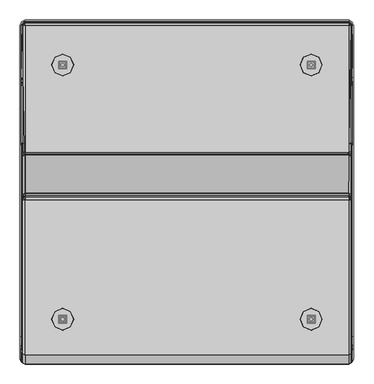
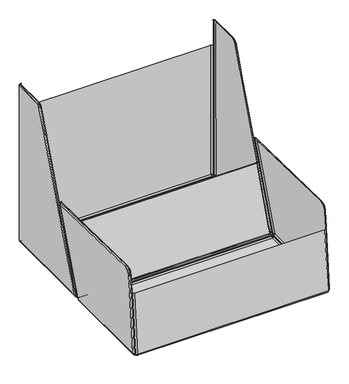
"""IFC4 building model written with IfcOpenShell, lengths in millimetres: furniture geometry."""

from ifc_helpers import new_model, si_unit, origin, place, context, project, spatial, triangles, source, transform, mapped, element, save


def furniture_f01fd685(model_context):
    return source(origin(), model_context, "Body", "Tessellation", [
        triangles([(-296.6102383, -322.338864, -3.08e-05), (-301.7100178, -310.0268975, -2.63e-05), (-296.6135811, -304.930479, 21.4999776), (-289.4027749, -322.338864, 21.4999708), (-314.0219662, -304.9271361, -2.36e-05), (-314.0219662, -297.7196909, 21.4999822), (-326.3339327, -310.0268975, -2.42e-05), (-331.4303876, -304.930479, 21.4999799), (-331.4337304, -322.338864, -2.77e-05), (-338.6411757, -322.338864, 21.4999754), (-326.3339327, -334.6508306, -3.22e-05), (-331.4303513, -339.7472855, 21.4999708), (-314.0219662, -339.7506646, -3.49e-05), (-314.0219662, -346.9580735, 21.4999663), (-301.7100178, -334.6508306, -3.44e-05), (-296.6135811, -339.7472855, 21.4999663), (-309.2808311, -322.3389004, 67.6125518), (-310.6694818, -318.9864524, 67.6125518), (-314.0219662, -317.5977654, 67.6125518), (-317.3744505, -318.9864524, 67.6125518), (-318.7631012, -322.3389004, 67.6125518), (-317.3744505, -325.6913847, 67.6125427), (-314.0219662, -327.0800354, 67.6125427), (-310.6694818, -325.6913847, 67.6125427), (-294.5629068, -302.879841, 42.9999734), (-286.5026975, -322.338864, 42.9999689), (-314.0219662, -294.8196317, 42.9999825), (-333.4810255, -302.879841, 42.999978), (-341.541253, -322.338864, 42.9999734), (-333.4810255, -341.7979597, 42.9999689), (-314.0219662, -349.8581509, 42.9999644), (-294.5629068, -341.7979597, 42.9999644), (-310.6694818, -318.9864161, 42.9999734), (-309.2808311, -322.338864, 42.9999734), (-314.0219662, -317.597729, 42.9999734), (-317.3744505, -318.9864161, 42.9999734), (-318.7631012, -322.338864, 42.9999734), (-317.3744505, -325.6913847, 42.9999734), (-314.0219662, -327.0799991, 42.9999734), (-310.6694818, -325.6913847, 42.9999734), (-304.0011207, -322.338864, -3.01e-05), (-304.0010299, -312.3179277, -2.69e-05), (-304.0010299, -332.3598367, -3.34e-05), (-314.0219662, -332.3598367, -3.22e-05), (-324.0429025, -332.3598367, -3.17e-05), (-324.0428298, -322.338864, -2.84e-05), (-324.0429025, -312.3179277, -2.51e-05), (-314.0219662, -312.3179277, -2.64e-05), (-304.0011207, -322.338864, 3.0044391), (-304.0010299, -312.3179277, 3.0044425), (-304.0010299, -332.3598367, 3.004436), (-314.0219662, -332.3598367, 3.0044368), (-324.0429025, -332.3598367, 3.0044377), (-324.0428298, -322.338864, 3.0044411), (-324.0429025, -312.3179277, 3.0044442), (-314.0219662, -312.3179277, 3.0044434), (-306.0766299, -322.338864, 3.0044397), (-306.0765573, -314.3934551, 3.0044422), (-306.0765573, -330.2843093, 3.0044371), (-314.0219662, -330.2843093, 3.0044377), (-321.9673751, -330.2843093, 3.0044385), (-321.9673388, -322.338864, 3.0044411), (-321.9673751, -314.3934551, 3.0044436), (-314.0219662, -314.3934915, 3.0044428), (-306.0766299, -322.338864, 20.0741267), (-306.0765573, -314.3934551, 20.074129), (-306.0765573, -330.2843093, 20.0741244), (-314.0219662, -330.2843093, 20.0741244), (-321.9673751, -330.2843093, 20.0741244), (-321.9673388, -322.338864, 20.074129), (-321.9673751, -314.3934551, 20.0741313), (-314.0219662, -314.3934915, 20.0741313), (-308.5229559, -322.338864, 20.0741358), (-310.1335044, -318.4505476, 20.0741381), (-310.1335044, -326.2272168, 20.0741358), (-314.0219662, -327.837838, 20.0741358), (-317.910428, -326.2272168, 20.0741358), (-319.5210128, -322.338864, 20.0741381), (-317.910428, -318.4505476, 20.0741381), (-314.0219662, -316.8399264, 20.0741381), (331.9638579, 319.9597578, 0.0001238), (326.8641329, 332.271688, 0.0001283), (331.9605151, 337.3681429, 21.5001366), (339.1713032, 319.9597578, 21.5001298), (314.55213, 337.3714857, 0.000131), (314.55213, 344.5789673, 21.5001411), (302.2401999, 332.271688, 0.0001304), (297.1437268, 337.3681429, 21.5001389), (297.140384, 319.9597578, 0.0001269), (289.9329387, 319.9597578, 21.5001321), (302.2401999, 307.6478276, 0.0001224), (297.1437268, 302.5513909, 21.5001298), (314.55213, 302.5480481, 0.0001197), (314.55213, 295.3405665, 21.500123), (326.8641329, 307.6478276, 0.0001202), (331.9605151, 302.5513909, 21.5001252), (319.2932651, 319.9597215, 67.6127062), (317.904578, 323.3122421, 67.6127062), (314.55213, 324.7008565, 67.6127153), (311.199682, 323.3122421, 67.6127153), (309.810995, 319.9597215, 67.6127062), (311.199682, 316.6072735, 67.6127062), (314.55213, 315.2185864, 67.6127062), (317.904578, 316.6072735, 67.6127062), (334.0111894, 339.4188535, 43.0001369), (342.0714169, 319.9597578, 43.0001279), (314.55213, 347.479081, 43.0001415), (295.0930344, 339.4188535, 43.0001415), (287.0328069, 319.9597578, 43.0001324), (295.0930344, 300.5006985, 43.0001233), (314.55213, 292.440471, 43.0001188), (334.0111894, 300.5006985, 43.0001188), (317.904578, 323.3122785, 43.0001324), (319.2932651, 319.9597578, 43.0001324), (314.55213, 324.7008928, 43.0001324), (311.199682, 323.3122785, 43.0001324), (309.810995, 319.9597578, 43.0001324), (311.199682, 316.6073098, 43.0001279), (314.55213, 315.2186228, 43.0001279), (317.904578, 316.6073098, 43.0001279), (324.5729937, 319.9597578, 0.0001245), (324.5730663, 329.9806941, 0.0001277), (324.5730663, 309.9388215, 0.0001212), (314.55213, 309.9388215, 0.0001224), (304.5311937, 309.9388215, 0.0001229), (304.5312846, 319.9597578, 0.0001262), (304.5311937, 329.9806941, 0.0001295), (314.55213, 329.9806941, 0.0001282), (324.5729937, 319.9597578, 3.0045944), (324.5730663, 329.9806941, 3.0045978), (324.5730663, 309.9388215, 3.004591), (314.55213, 309.9388215, 3.0045918), (304.5311937, 309.9388215, 3.004593), (304.5312846, 319.9597578, 3.0045961), (304.5311937, 329.9806941, 3.0045995), (314.55213, 329.9806941, 3.0045984), (322.4974299, 319.9597578, 3.0045947), (322.4975753, 327.9052031, 3.0045972), (322.4975753, 312.0143852, 3.0045921), (314.55213, 312.0143852, 3.004593), (306.6067575, 312.0143852, 3.0045935), (306.6068301, 319.9597578, 3.0045961), (306.6067575, 327.9052031, 3.0045986), (314.55213, 327.9052031, 3.0045981), (322.4974299, 319.9597578, 20.0742834), (322.4975753, 327.9052031, 20.0742857), (322.4975753, 312.0143852, 20.0742811), (314.55213, 312.0143852, 20.0742811), (306.6067575, 312.0143852, 20.0742811), (306.6068301, 319.9597578, 20.0742857), (306.6067575, 327.9052031, 20.074288), (314.55213, 327.9052031, 20.074288), (320.0511766, 319.9597578, 20.0742925), (318.4405555, 323.8481106, 20.0742948), (318.4405555, 316.0714414, 20.0742902), (314.55213, 314.4608565, 20.0742902), (310.6637046, 316.0714414, 20.0742925), (309.0530834, 319.9597578, 20.0742948), (310.6637046, 323.8481106, 20.0742948), (314.55213, 325.4586954, 20.0742948), (-296.689176, 319.9598668, 0.0001788), (-301.7889919, 332.271797, 0.0001832), (-296.6925189, 337.3682882, 21.5001911), (-289.4817308, 319.9598668, 21.5001843), (-314.1009584, 337.3716311, 0.000186), (-314.1009584, 344.5790763, 21.5001934), (-326.412925, 332.271797, 0.0001854), (-331.5093072, 337.3682882, 21.5001934), (-331.51265, 319.9598668, 0.0001818), (-338.7201316, 319.9598668, 21.5001888), (-326.4128886, 307.6479366, 0.0001774), (-331.5093072, 302.5514999, 21.5001843), (-314.1009584, 302.5481752, 0.0001746), (-314.1009584, 295.3406937, 21.5001775), (-301.7889919, 307.6479366, 0.0001752), (-296.6925189, 302.5514999, 21.500182), (-309.3598234, 319.9598668, 67.6127653), (-310.7484378, 323.3123875, 67.6127653), (-314.1009584, 324.7009655, 67.6127653), (-317.4534064, 323.3123875, 67.6127653), (-318.8420571, 319.9598668, 67.6127653), (-317.4534064, 316.6073825, 67.6127653), (-314.1009584, 315.2187318, 67.6127607), (-310.7484741, 316.6073825, 67.6127653), (-294.6418809, 339.4189625, 43.0001915), (-286.5816716, 319.9598668, 43.0001824), (-314.1009584, 347.47919, 43.000196), (-333.5599814, 339.4189625, 43.000196), (-341.6202089, 319.9598668, 43.0001869), (-333.5599814, 300.5008075, 43.0001824), (-314.1009584, 292.4405982, 43.0001778), (-294.6418809, 300.5008075, 43.0001778), (-310.7484378, 323.3123875, 43.0001869), (-309.3598234, 319.9598668, 43.0001824), (-314.1009584, 324.7010018, 43.0001869), (-317.4534064, 323.3123875, 43.0001869), (-318.8420571, 319.9598668, 43.0001869), (-317.4534064, 316.6074188, 43.0001824), (-314.1009584, 315.2187318, 43.0001824), (-310.7484741, 316.6074188, 43.0001824), (-304.0800766, 319.9598668, 0.0001794), (-304.0799858, 329.9808031, 0.0001827), (-304.0799858, 309.9389305, 0.0001762), (-314.1009584, 309.9389305, 0.0001774), (-324.1218947, 309.9389305, 0.0001779), (-324.1217857, 319.9598668, 0.0001812), (-324.1218947, 329.9808031, 0.0001844), (-314.1009584, 329.9808031, 0.0001832), (-304.0800766, 319.9598668, 3.0046494), (-304.0799858, 329.9808031, 3.0046526), (-304.0799858, 309.9389305, 3.004646), (-314.1009584, 309.9389305, 3.0046469), (-324.1218947, 309.9389305, 3.0046477), (-324.1217857, 319.9598668, 3.0046512), (-324.1218947, 329.9808031, 3.0046543), (-314.1009584, 329.9808031, 3.0046534), (-306.1555859, 319.9598668, 3.0046497), (-306.1555495, 327.9053121, 3.0046523), (-306.1555495, 312.0144942, 3.0046472), (-314.1009584, 312.0144942, 3.0046477), (-322.046331, 312.0144942, 3.0046486), (-322.0462947, 319.9598668, 3.0046512), (-322.046331, 327.9053121, 3.0046537), (-314.1009584, 327.9053121, 3.0046529), (-306.1555859, 319.9598668, 20.0743379), (-306.1555495, 327.9053121, 20.0743425), (-306.1555495, 312.0144942, 20.0743356), (-314.1009584, 312.0144942, 20.0743356), (-322.046331, 312.0144942, 20.0743379), (-322.0462947, 319.9598668, 20.0743402), (-322.046331, 327.9053121, 20.0743425), (-314.1009584, 327.9053121, 20.0743425), (-308.6018755, 319.9598668, 20.0743493), (-310.2124603, 323.8482196, 20.0743493), (-310.2124603, 316.0715867, 20.074347), (-314.1009584, 314.4610019, 20.074347), (-317.9893839, 316.0715867, 20.074347), (-319.5999687, 319.9598668, 20.0743493), (-317.9893839, 323.8482196, 20.0743515), (-314.1009584, 325.4588408, 20.0743515), (332.0428502, -322.3390094, -8.57e-05), (326.9430525, -310.0270429, -8.13e-05), (332.0394347, -304.930588, 21.4999254), (339.2502591, -322.3390094, 21.4999209), (314.631086, -304.9272451, -7.85e-05), (314.631086, -297.7197999, 21.4999299), (302.3191376, -310.0270429, -7.91e-05), (297.2226827, -304.930588, 21.4999299), (297.2193399, -322.3390094, -8.27e-05), (290.0118765, -322.3390094, 21.4999254), (302.3191376, -334.6509759, -8.72e-05), (297.2226827, -339.7473945, 21.4999209), (314.631086, -339.7507736, -8.99e-05), (314.631086, -346.9581825, 21.4999141), (326.9430525, -334.6509759, -8.93e-05), (332.0394347, -339.7473945, 21.4999163), (319.3722573, -322.3390457, 67.6124973), (317.983534, -318.9865614, 67.6124973), (314.631086, -317.5979107, 67.6124973), (311.2786016, -318.9865614, 67.6124973), (309.8899509, -322.3390457, 67.6124973), (311.2786016, -325.69153, 67.6124973), (314.631086, -327.0801444, 67.6124973), (317.983534, -325.69153, 67.6124973), (334.0901453, -302.8799682, 42.999928), (342.1503728, -322.3390094, 42.9999189), (314.631086, -294.8197407, 42.9999326), (295.1720266, -302.8799682, 42.9999326), (287.1118173, -322.3390094, 42.9999235), (295.1720266, -341.7980687, 42.9999144), (314.631086, -349.8582599, 42.9999099), (334.0901453, -341.7980687, 42.9999099), (317.983534, -318.9865251, 42.9999235), (319.3722573, -322.3390094, 42.9999189), (314.631086, -317.5978744, 42.9999235), (311.2786016, -318.9865251, 42.9999235), (309.8899509, -322.3390094, 42.9999189), (311.2786016, -325.6914937, 42.9999189), (314.631086, -327.0801444, 42.9999189), (317.983534, -325.6914937, 42.9999189), (324.6519133, -322.3390094, -8.51e-05), (324.6520223, -312.3180731, -8.18e-05), (324.6520223, -332.3599457, -8.84e-05), (314.631086, -332.3599457, -8.71e-05), (304.6101315, -332.3599457, -8.66e-05), (304.6102768, -322.3390094, -8.34e-05), (304.6101315, -312.3180731, -8.01e-05), (314.631086, -312.3180731, -8.13e-05), (324.6519133, -322.3390094, 3.0043846), (324.6520223, -312.3180731, 3.004388), (324.6520223, -332.3599457, 3.0043815), (314.631086, -332.3599457, 3.0043823), (304.6101315, -332.3599457, 3.0043832), (304.6102768, -322.3390094, 3.0043866), (304.6101315, -312.3180731, 3.0043897), (314.631086, -312.3180731, 3.0043889), (322.5764222, -322.3390094, 3.0043852), (322.5765312, -314.3935641, 3.0043877), (322.5765312, -330.2844183, 3.0043826), (314.631086, -330.2844183, 3.0043832), (306.6856771, -330.2844183, 3.004384), (306.6857861, -322.3390094, 3.0043866), (306.6856771, -314.3935641, 3.0043891), (314.631086, -314.3936005, 3.0043883), (322.5764222, -322.3390094, 20.0740722), (322.5765312, -314.3935641, 20.0740768), (322.5765312, -330.2844183, 20.0740722), (314.631086, -330.2844183, 20.0740722), (306.6856771, -330.2844183, 20.0740722), (306.6857861, -322.3390094, 20.0740745), (306.6856771, -314.3935641, 20.074079), (314.631086, -314.3936005, 20.0740768), (320.1300962, -322.3390094, 20.0740836), (318.5195477, -318.4506566, 20.0740836), (318.5195477, -326.2273258, 20.0740836), (314.631086, -327.837947, 20.0740836), (310.7426605, -326.2273258, 20.0740836), (309.132112, -322.3390094, 20.0740836), (310.7426605, -318.4506566, 20.0740858), (314.631086, -316.8400354, 20.0740858)], [[1, 2, 3], [1, 3, 4], [2, 5, 6], [2, 6, 3], [5, 7, 8], [5, 8, 6], [7, 9, 10], [7, 10, 8], [9, 11, 12], [9, 12, 10], [11, 13, 14], [11, 14, 12], [13, 15, 16], [13, 16, 14], [15, 1, 4], [15, 4, 16], [17, 18, 19], [17, 19, 20], [17, 20, 21], [17, 21, 22], [17, 22, 23], [17, 23, 24], [3, 25, 26], [3, 26, 4], [6, 27, 25], [6, 25, 3], [8, 28, 27], [8, 27, 6], [10, 29, 28], [10, 28, 8], [12, 30, 29], [12, 29, 10], [14, 31, 30], [14, 30, 12], [16, 32, 31], [16, 31, 14], [4, 26, 32], [4, 32, 16], [26, 25, 33], [26, 33, 34], [25, 27, 35], [25, 35, 33], [27, 28, 36], [27, 36, 35], [28, 29, 37], [28, 37, 36], [29, 30, 38], [29, 38, 37], [30, 31, 39], [30, 39, 38], [31, 32, 40], [31, 40, 39], [32, 26, 34], [32, 34, 40], [34, 33, 18], [34, 18, 17], [33, 35, 19], [33, 19, 18], [35, 36, 20], [35, 20, 19], [36, 37, 21], [36, 21, 20], [37, 38, 22], [37, 22, 21], [38, 39, 23], [38, 23, 22], [39, 40, 24], [39, 24, 23], [40, 34, 17], [40, 17, 24], [2, 1, 41], [2, 41, 42], [1, 15, 43], [1, 43, 41], [15, 13, 44], [15, 44, 43], [13, 11, 45], [13, 45, 44], [11, 9, 46], [11, 46, 45], [9, 7, 47], [9, 47, 46], [7, 5, 48], [7, 48, 47], [5, 2, 42], [5, 42, 48], [42, 41, 49], [42, 49, 50], [41, 43, 51], [41, 51, 49], [43, 44, 52], [43, 52, 51], [44, 45, 53], [44, 53, 52], [45, 46, 54], [45, 54, 53], [46, 47, 55], [46, 55, 54], [47, 48, 56], [47, 56, 55], [48, 42, 50], [48, 50, 56], [50, 49, 57], [50, 57, 58], [49, 51, 59], [49, 59, 57], [51, 52, 60], [51, 60, 59], [52, 53, 61], [52, 61, 60], [53, 54, 62], [53, 62, 61], [54, 55, 63], [54, 63, 62], [55, 56, 64], [55, 64, 63], [56, 50, 58], [56, 58, 64], [58, 57, 65], [58, 65, 66], [57, 59, 67], [57, 67, 65], [59, 60, 68], [59, 68, 67], [60, 61, 69], [60, 69, 68], [61, 62, 70], [61, 70, 69], [62, 63, 71], [62, 71, 70], [63, 64, 72], [63, 72, 71], [64, 58, 66], [64, 66, 72], [66, 65, 73], [66, 73, 74], [65, 67, 75], [65, 75, 73], [67, 68, 76], [67, 76, 75], [68, 69, 77], [68, 77, 76], [69, 70, 78], [69, 78, 77], [70, 71, 79], [70, 79, 78], [71, 72, 80], [71, 80, 79], [72, 66, 74], [72, 74, 80], [81, 82, 83], [81, 83, 84], [82, 85, 86], [82, 86, 83], [85, 87, 88], [85, 88, 86], [87, 89, 90], [87, 90, 88], [89, 91, 92], [89, 92, 90], [91, 93, 94], [91, 94, 92], [93, 95, 96], [93, 96, 94], [95, 81, 84], [95, 84, 96], [97, 98, 99], [97, 99, 100], [97, 100, 101], [97, 101, 102], [97, 102, 103], [97, 103, 104], [83, 105, 106], [83, 106, 84], [86, 107, 105], [86, 105, 83], [88, 108, 107], [88, 107, 86], [90, 109, 108], [90, 108, 88], [92, 110, 109], [92, 109, 90], [94, 111, 110], [94, 110, 92], [96, 112, 111], [96, 111, 94], [84, 106, 112], [84, 112, 96], [106, 105, 113], [106, 113, 114], [105, 107, 115], [105, 115, 113], [107, 108, 116], [107, 116, 115], [108, 109, 117], [108, 117, 116], [109, 110, 118], [109, 118, 117], [110, 111, 119], [110, 119, 118], [111, 112, 120], [111, 120, 119], [112, 106, 114], [112, 114, 120], [114, 113, 98], [114, 98, 97], [113, 115, 99], [113, 99, 98], [115, 116, 100], [115, 100, 99], [116, 117, 101], [116, 101, 100], [117, 118, 102], [117, 102, 101], [118, 119, 103], [118, 103, 102], [119, 120, 104], [119, 104, 103], [120, 114, 97], [120, 97, 104], [82, 81, 121], [82, 121, 122], [81, 95, 123], [81, 123, 121], [95, 93, 124], [95, 124, 123], [93, 91, 125], [93, 125, 124], [91, 89, 126], [91, 126, 125], [89, 87, 127], [89, 127, 126], [87, 85, 128], [87, 128, 127], [85, 82, 122], [85, 122, 128], [122, 121, 129], [122, 129, 130], [121, 123, 131], [121, 131, 129], [123, 124, 132], [123, 132, 131], [124, 125, 133], [124, 133, 132], [125, 126, 134], [125, 134, 133], [126, 127, 135], [126, 135, 134], [127, 128, 136], [127, 136, 135], [128, 122, 130], [128, 130, 136], [130, 129, 137], [130, 137, 138], [129, 131, 139], [129, 139, 137], [131, 132, 140], [131, 140, 139], [132, 133, 141], [132, 141, 140], [133, 134, 142], [133, 142, 141], [134, 135, 143], [134, 143, 142], [135, 136, 144], [135, 144, 143], [136, 130, 138], [136, 138, 144], [138, 137, 145], [138, 145, 146], [137, 139, 147], [137, 147, 145], [139, 140, 148], [139, 148, 147], [140, 141, 149], [140, 149, 148], [141, 142, 150], [141, 150, 149], [142, 143, 151], [142, 151, 150], [143, 144, 152], [143, 152, 151], [144, 138, 146], [144, 146, 152], [146, 145, 153], [146, 153, 154], [145, 147, 155], [145, 155, 153], [147, 148, 156], [147, 156, 155], [148, 149, 157], [148, 157, 156], [149, 150, 158], [149, 158, 157], [150, 151, 159], [150, 159, 158], [151, 152, 160], [151, 160, 159], [152, 146, 154], [152, 154, 160], [161, 162, 163], [161, 163, 164], [162, 165, 166], [162, 166, 163], [165, 167, 168], [165, 168, 166], [167, 169, 170], [167, 170, 168], [169, 171, 172], [169, 172, 170], [171, 173, 174], [171, 174, 172], [173, 175, 176], [173, 176, 174], [175, 161, 164], [175, 164, 176], [177, 178, 179], [177, 179, 180], [177, 180, 181], [177, 181, 182], [177, 182, 183], [177, 183, 184], [163, 185, 186], [163, 186, 164], [166, 187, 185], [166, 185, 163], [168, 188, 187], [168, 187, 166], [170, 189, 188], [170, 188, 168], [172, 190, 189], [172, 189, 170], [174, 191, 190], [174, 190, 172], [176, 192, 191], [176, 191, 174], [164, 186, 192], [164, 192, 176], [186, 185, 193], [186, 193, 194], [185, 187, 195], [185, 195, 193], [187, 188, 196], [187, 196, 195], [188, 189, 197], [188, 197, 196], [189, 190, 198], [189, 198, 197], [190, 191, 199], [190, 199, 198], [191, 192, 200], [191, 200, 199], [192, 186, 194], [192, 194, 200], [194, 193, 178], [194, 178, 177], [193, 195, 179], [193, 179, 178], [195, 196, 180], [195, 180, 179], [196, 197, 181], [196, 181, 180], [197, 198, 182], [197, 182, 181], [198, 199, 183], [198, 183, 182], [199, 200, 184], [199, 184, 183], [200, 194, 177], [200, 177, 184], [162, 161, 201], [162, 201, 202], [161, 175, 203], [161, 203, 201], [175, 173, 204], [175, 204, 203], [173, 171, 205], [173, 205, 204], [171, 169, 206], [171, 206, 205], [169, 167, 207], [169, 207, 206], [167, 165, 208], [167, 208, 207], [165, 162, 202], [165, 202, 208], [202, 201, 209], [202, 209, 210], [201, 203, 211], [201, 211, 209], [203, 204, 212], [203, 212, 211], [204, 205, 213], [204, 213, 212], [205, 206, 214], [205, 214, 213], [206, 207, 215], [206, 215, 214], [207, 208, 216], [207, 216, 215], [208, 202, 210], [208, 210, 216], [210, 209, 217], [210, 217, 218], [209, 211, 219], [209, 219, 217], [211, 212, 220], [211, 220, 219], [212, 213, 221], [212, 221, 220], [213, 214, 222], [213, 222, 221], [214, 215, 223], [214, 223, 222], [215, 216, 224], [215, 224, 223], [216, 210, 218], [216, 218, 224], [218, 217, 225], [218, 225, 226], [217, 219, 227], [217, 227, 225], [219, 220, 228], [219, 228, 227], [220, 221, 229], [220, 229, 228], [221, 222, 230], [221, 230, 229], [222, 223, 231], [222, 231, 230], [223, 224, 232], [223, 232, 231], [224, 218, 226], [224, 226, 232], [226, 225, 233], [226, 233, 234], [225, 227, 235], [225, 235, 233], [227, 228, 236], [227, 236, 235], [228, 229, 237], [228, 237, 236], [229, 230, 238], [229, 238, 237], [230, 231, 239], [230, 239, 238], [231, 232, 240], [231, 240, 239], [232, 226, 234], [232, 234, 240], [241, 242, 243], [241, 243, 244], [242, 245, 246], [242, 246, 243], [245, 247, 248], [245, 248, 246], [247, 249, 250], [247, 250, 248], [249, 251, 252], [249, 252, 250], [251, 253, 254], [251, 254, 252], [253, 255, 256], [253, 256, 254], [255, 241, 244], [255, 244, 256], [257, 258, 259], [257, 259, 260], [257, 260, 261], [257, 261, 262], [257, 262, 263], [257, 263, 264], [243, 265, 266], [243, 266, 244], [246, 267, 265], [246, 265, 243], [248, 268, 267], [248, 267, 246], [250, 269, 268], [250, 268, 248], [252, 270, 269], [252, 269, 250], [254, 271, 270], [254, 270, 252], [256, 272, 271], [256, 271, 254], [244, 266, 272], [244, 272, 256], [266, 265, 273], [266, 273, 274], [265, 267, 275], [265, 275, 273], [267, 268, 276], [267, 276, 275], [268, 269, 277], [268, 277, 276], [269, 270, 278], [269, 278, 277], [270, 271, 279], [270, 279, 278], [271, 272, 280], [271, 280, 279], [272, 266, 274], [272, 274, 280], [274, 273, 258], [274, 258, 257], [273, 275, 259], [273, 259, 258], [275, 276, 260], [275, 260, 259], [276, 277, 261], [276, 261, 260], [277, 278, 262], [277, 262, 261], [278, 279, 263], [278, 263, 262], [279, 280, 264], [279, 264, 263], [280, 274, 257], [280, 257, 264], [242, 241, 281], [242, 281, 282], [241, 255, 283], [241, 283, 281], [255, 253, 284], [255, 284, 283], [253, 251, 285], [253, 285, 284], [251, 249, 286], [251, 286, 285], [249, 247, 287], [249, 287, 286], [247, 245, 288], [247, 288, 287], [245, 242, 282], [245, 282, 288], [282, 281, 289], [282, 289, 290], [281, 283, 291], [281, 291, 289], [283, 284, 292], [283, 292, 291], [284, 285, 293], [284, 293, 292], [285, 286, 294], [285, 294, 293], [286, 287, 295], [286, 295, 294], [287, 288, 296], [287, 296, 295], [288, 282, 290], [288, 290, 296], [290, 289, 297], [290, 297, 298], [289, 291, 299], [289, 299, 297], [291, 292, 300], [291, 300, 299], [292, 293, 301], [292, 301, 300], [293, 294, 302], [293, 302, 301], [294, 295, 303], [294, 303, 302], [295, 296, 304], [295, 304, 303], [296, 290, 298], [296, 298, 304], [298, 297, 305], [298, 305, 306], [297, 299, 307], [297, 307, 305], [299, 300, 308], [299, 308, 307], [300, 301, 309], [300, 309, 308], [301, 302, 310], [301, 310, 309], [302, 303, 311], [302, 311, 310], [303, 304, 312], [303, 312, 311], [304, 298, 306], [304, 306, 312], [306, 305, 313], [306, 313, 314], [305, 307, 315], [305, 315, 313], [307, 308, 316], [307, 316, 315], [308, 309, 317], [308, 317, 316], [309, 310, 318], [309, 318, 317], [310, 311, 319], [310, 319, 318], [311, 312, 320], [311, 320, 319], [312, 306, 314], [312, 314, 320]], closed=False),
        triangles([(-409.2947119, -1.1346829, 43.8833815), (-409.2947119, -3.5988517, 51.2741323), (-415.8480183, 0.8626503, 51.6215448), (-413.3205563, 2.3903925, 45.6067229), (-422.5025176, 420.7877604, 52.1475483), (-418.5182405, 420.7877604, 45.7216323), (-418.5245991, 52.0385978, 45.6576555), (-422.5026266, 54.5906222, 52.1474029), (-422.5031353, 288.3247702, 752.6533321), (-418.4914979, 287.4163772, 759.3089579), (-418.5183495, 420.7875423, 759.0793207), (-422.5026266, 420.7875423, 752.6533321), (-422.5031353, 274.0746952, 742.8505148), (-422.5031353, 235.2638374, 641.1360111), (-418.4912072, 229.1668804, 643.799366), (-418.4914979, 268.1838302, 746.0786608), (-422.5025176, 420.7877604, 78.8059638), (-418.5233274, 427.2194172, 78.8059728), (-418.5233274, 427.2194172, 52.1475483), (-422.5031353, 233.8290958, 637.3336996), (-422.5031353, 251.9688316, 636.3353594), (-422.5028083, 141.6065364, 309.672268), (-422.5028083, 109.1084292, 309.9045939), (-422.5025903, 420.7876877, 306.9817346), (-418.5233637, 427.2193445, 306.9817346), (-422.5026266, 20.147319, 76.3551232), (-422.5026266, 10.8785363, 52.1473666), (-418.5191125, 3.7757719, 51.7977013), (-418.5533401, 13.4453764, 76.901447), (-422.5026266, 62.8694002, 76.6168895), (-422.5026266, 420.7875423, 741.7444777), (-418.5234727, 427.2191992, 752.6533321), (-418.5234727, 427.2191992, 741.7444777), (-422.5031353, 279.5138981, 750.2026096), (-422.5032806, 289.7458317, 741.6688282), (-418.5191125, 8.0122153, 45.6392836), (-422.5025903, 420.7875787, 640.3543728), (-422.5031353, 253.2725311, 640.1846157), (-415.2738891, 424.4009482, 758.3452085), (-409.2946029, 420.7877604, 38.9395336), (-415.7205188, 420.7877604, 42.923888), (-412.7635772, 424.5182376, 44.3393993), (-409.2946029, 427.2137126, 42.923888), (-415.5831725, 424.5261586, 47.1620014), (-409.2947119, 49.2384326, 38.939411), (-415.8300324, 50.9505328, 42.9733263), (-418.4915342, 277.4701638, 756.5616692), (-409.2947119, 6.3667376, 77.3017587), (-415.819459, 10.5944364, 77.0972472), (-415.8480183, 6.8060884, 42.9816924), (-409.2947119, 4.8863416, 38.9393973), (-416.3273858, 5.0945155, 47.4451781), (-409.2948572, 94.5682011, 308.8450293), (-415.7781097, 98.4971583, 308.0980908), (-415.7262234, 430.0165212, 52.1475483), (-409.2946029, 433.9957114, 52.1475528), (-409.2946029, 430.0114343, 45.7216778), (-412.7542754, 427.3461536, 47.1552158), (-415.7262234, 430.0165212, 78.8059728), (-409.2946029, 433.9957114, 78.8060092), (-412.7586356, 422.9598661, 47.168201), (-412.0008694, 423.7608347, 47.21684), (-411.1901267, 424.5203814, 47.160548), (-412.423082, 424.3690825, 756.828586), (-415.5903668, 427.0828703, 751.83158), (-412.7416308, 424.5083181, 48.7001796), (-415.5988692, 427.0917724, 53.0044273), (-415.6005043, 419.9052197, 45.844104), (-408.4039596, 427.0949335, 45.8411018), (-415.5530508, 51.443308, 45.9629194), (-415.4760206, 287.4451, 759.0853523), (-415.5998503, 419.9355958, 758.9419744), (-415.4353618, 3.7969427, 52.0176961), (-415.5619892, 13.5387573, 76.3769151), (-415.4355798, 8.2537465, 45.5627849), (-413.0296583, 5.2223415, 47.3833587), (-415.5305958, 101.3401443, 307.1370303), (-418.5278692, 101.2104374, 307.5270501), (-415.4935704, 426.9864736, 741.7444777), (-418.5234364, 427.2192355, 636.2904493), (-415.4935704, 426.9864736, 636.2904493), (-415.4935341, 426.9866189, 311.0457307), (-418.5233637, 427.2193445, 311.0457307), (-415.4934251, 426.9866552, 78.8059728), (-415.4935704, 426.9864736, 640.3543728), (-418.5234364, 427.2192355, 640.3543728), (-412.3867833, 422.7977394, 758.405234), (-411.6442414, 423.5754536, 758.3673729), (-415.4720964, 277.5634176, 756.4190907), (-415.477583, 268.3852896, 745.9740887), (-415.4723145, 274.4058705, 754.2467669), (-418.4915342, 274.3059129, 754.3849852), (-415.4935341, 426.9866189, 306.9817346), (-415.7262597, 430.0164485, 306.9817346), (-418.5274695, 102.6558615, 311.3253284), (-418.4912072, 227.7325021, 639.9969091), (-422.5025903, 420.7875787, 636.2904493), (-422.5025903, 420.7876877, 311.0457307), (-409.2946392, 433.9955297, 636.2904493), (-409.2946029, 433.9956751, 311.0457307), (-415.7262597, 430.0164485, 311.0457307), (-415.726296, 430.0163395, 636.2904493), (-415.4849227, 229.3471928, 643.6009769), (-422.5031353, 234.5464757, 639.234819), (-418.4912072, 228.449664, 641.8981739), (-422.5025903, 420.7875787, 638.3224474), (-418.5234364, 427.2192355, 638.3224474), (-422.5031353, 252.6206995, 638.2600239), (-415.4853587, 227.9136138, 639.7982294), (-415.4851407, 228.6304124, 641.6996395), (-415.4935704, 426.9864736, 638.3224474), (-422.5028083, 140.3057437, 305.822067), (-422.5028083, 107.6618151, 306.106788), (-415.5300508, 102.7853685, 310.9353813), (-409.2946029, 433.9956751, 306.9817346), (-422.5028083, 140.9561491, 307.7471675), (-422.5028083, 108.3851267, 308.005691), (-422.5025903, 420.7876877, 309.0137326), (-418.5233637, 427.2193445, 309.0137326), (-415.4935341, 426.9866189, 309.0137326), (-415.7262597, 430.0164485, 309.0137326), (-418.5276149, 101.9331495, 309.4261711), (-409.2946029, 433.9956751, 309.013769), (-408.6103786, 97.5773925, 309.8733095), (-413.5147668, 100.297657, 309.5865174), (-415.5299417, 102.1474987, 309.2548153), (-415.4723145, 275.7623466, 755.6559105), (-418.4535278, 275.8868666, 755.4750349), (409.2945665, -1.1348052, 43.8833043), (413.3205199, 2.3902693, 45.6066548), (415.8479456, 0.86255, 51.6214948), (409.2947119, -3.5989497, 51.2740369), (422.5026993, 420.7875787, 52.1474756), (422.5025903, 54.5905178, 52.147353), (418.5244537, 52.0384979, 45.6575874), (418.5184221, 420.7875787, 45.7215551), (422.5032806, 288.3245885, 752.6532595), (422.5029173, 420.7873607, 752.6533321), (418.5186038, 420.7873607, 759.079248), (418.4916432, 287.4162137, 759.3089579), (409.2947845, 420.787615, 38.9394609), (409.2947845, 427.2135673, 42.9238153), (422.5032806, 274.0745499, 742.8504421), (418.4916432, 268.1836849, 746.0785881), (418.4913889, 229.166735, 643.7992933), (422.5032806, 235.2637284, 641.1359385), (418.5234727, 427.2192355, 52.1474801), (418.5234727, 427.2192355, 78.8059274), (422.5026993, 420.7875787, 78.8059274), (409.2947119, 6.3666155, 77.3017133), (409.2945665, 4.8862439, 38.9393292), (422.5032806, 233.8289505, 637.3336269), (422.5028446, 109.108302, 309.9045576), (422.5028446, 141.6064183, 309.672159), (422.5033896, 251.9686862, 636.3352867), (418.5234727, 427.2191992, 306.9816619), (422.5025903, 420.787506, 306.9816619), (422.5025903, 20.1472145, 76.3550687), (418.5533401, 13.4452515, 76.9013562), (418.5190035, 3.7756467, 51.7976514), (422.5025903, 10.8784103, 52.1472894), (422.5024813, 62.869273, 76.6167896), (422.5029173, 420.7873607, 741.744405), (418.523836, 427.2190175, 741.744405), (418.523836, 427.2190175, 752.6533321), (422.5033896, 289.74565, 741.6687555), (422.5032806, 279.5137527, 750.202537), (418.5190035, 8.0121149, 45.639211), (409.2945665, 49.2383327, 38.9393428), (422.5033896, 253.2723857, 640.184543), (422.5028446, 420.787397, 640.3543001), (415.2742161, 424.4008392, 758.3451359), (412.7637589, 424.5181649, 44.3393266), (415.7205551, 420.787615, 42.9238108), (415.5833542, 424.5260496, 47.1619242), (409.2947845, 430.0113616, 45.7216096), (409.2947845, 433.9956024, 52.1474801), (415.8299598, 50.9504329, 42.9732536), (418.4917159, 277.4700185, 756.5616692), (415.8193863, 10.5943115, 77.0971745), (415.8478729, 6.8059879, 42.9816197), (416.3273131, 5.094415, 47.4451055), (415.7781461, 98.4970402, 308.0980545), (409.2948572, 94.568083, 308.8449566), (415.7263687, 430.0164122, 52.1474801), (412.7544571, 427.3460446, 47.1551477), (415.7263687, 430.0164122, 78.8059274), (409.2947845, 433.9956024, 78.8059274), (411.1901994, 424.5203087, 47.1604753), (412.0010147, 423.760762, 47.2167673), (412.7587083, 422.9597571, 47.1681284), (415.5906575, 427.0827613, 751.8315073), (412.4234453, 424.3689371, 756.8285133), (415.5990509, 427.0916997, 53.0043546), (412.7417398, 424.5082091, 48.700107), (415.6006133, 419.9051107, 45.8440313), (408.4041412, 427.0948608, 45.8410291), (415.5529055, 51.4431854, 45.9628467), (415.600141, 419.9354868, 758.9419018), (415.4762023, 287.4450092, 759.0852797), (415.5619529, 13.5386563, 76.3768697), (415.4352891, 3.7968184, 52.0176007), (413.029513, 5.2222177, 47.3832906), (415.4355071, 8.2536216, 45.5627122), (418.5279056, 101.2103193, 307.5269774), (415.5305958, 101.3400171, 307.1369576), (415.4938611, 426.9863282, 741.744405), (418.5236544, 427.2190538, 636.2903767), (418.5234727, 427.2191992, 311.045658), (415.4936431, 426.9864736, 311.045658), (415.4937884, 426.9863646, 636.2903767), (415.4936068, 426.9865462, 78.8059274), (418.5236544, 427.2190538, 640.3543001), (415.4937884, 426.9863646, 640.3543001), (411.6445684, 423.5754172, 758.3673002), (412.387074, 422.7976667, 758.4051613), (415.4722418, 277.5633267, 756.419018), (418.4917159, 274.3057676, 754.3849125), (415.4725325, 274.4057796, 754.2466942), (415.4777647, 268.3851806, 745.9740887), (415.726405, 430.0163758, 306.9816619), (415.4936431, 426.9864736, 306.9816619), (418.4913889, 227.7323749, 639.9968365), (418.5274332, 102.6557344, 311.3252558), (422.5028446, 420.787397, 636.2903767), (422.5025903, 420.787506, 311.045658), (409.2949299, 433.9954207, 636.2903767), (415.7265141, 430.0162668, 636.2903767), (415.726405, 430.0163758, 311.045658), (409.2947119, 433.9955297, 311.0456944), (415.4849954, 229.3470474, 643.6009769), (418.4913889, 228.449555, 641.8981012), (422.5032806, 234.5463485, 639.2347464), (418.5236544, 427.2190538, 638.3224474), (422.5028446, 420.787397, 638.3224474), (422.5033896, 252.6205542, 638.2599512), (415.4854677, 227.9135048, 639.7981567), (415.485286, 228.6302852, 641.6995668), (415.4937884, 426.9863646, 638.3224474), (422.5028446, 140.3056256, 305.8219943), (422.5028446, 107.661697, 306.1067153), (415.5301234, 102.7852504, 310.9353086), (409.2947119, 433.9955297, 306.9816982), (422.5028446, 108.3849995, 308.0056183), (422.5028446, 140.9560128, 307.7470585), (418.5234727, 427.2191992, 309.0136236), (422.5025903, 420.787506, 309.0136236), (415.4936431, 426.9864736, 309.0136236), (415.726405, 430.0163758, 309.0136236), (418.5276149, 101.9330223, 309.4261348), (409.2947119, 433.9955297, 309.0136963), (413.5147305, 100.2975389, 309.5865174), (408.6103786, 97.5772653, 309.8732732), (415.5299417, 102.1473806, 309.254779), (415.4725325, 275.7622557, 755.6559105), (418.4537458, 275.8867212, 755.4749622), (415.7265141, 430.0161578, 638.3224474), (409.2949299, 433.9953481, 638.3224474), (-409.2946392, 433.9954571, 638.3224474), (-415.726296, 430.0162305, 638.3224474), (422.503426, -402.0688085, 52.1471577), (422.503535, -375.4837669, 311.7687607), (422.503535, -399.9381609, 311.9363013), (422.5033896, -422.6846286, 52.1471486), (422.503535, -375.2786196, 313.7865518), (422.5034986, 80.8000463, 308.641953), (422.5034986, 81.526628, 310.5396206), (422.503535, -375.0734722, 315.8044155), (422.5034986, 82.2532007, 312.4372519), (418.7625569, 111.7292721, 370.3644937), (422.503535, 104.4323792, 370.3638033), (418.7647007, 89.4779868, 312.2629892), (415.7949328, 111.5990566, 370.3410939), (415.8244732, 89.3192392, 312.2665137), (422.503753, -365.9265378, 411.5566741), (422.503753, -368.1443167, 388.3399226), (422.503535, 105.8855427, 374.1591385), (422.503535, 115.5781742, 399.4739087), (422.503753, -368.530812, 384.2943483), (422.503753, -393.5378612, 385.0356185), (422.503535, -399.5837131, 315.9848551), (418.7624843, 113.1827263, 374.1596472), (422.503535, 105.1589609, 372.2614709), (418.7624843, 112.4559992, 372.2620886), (418.7828319, -400.1632925, 386.6915131), (422.503753, -393.205941, 387.0212531), (418.7824322, -399.8334435, 388.677947), (415.7930071, 113.0547363, 374.1354481), (415.7939518, 112.326901, 372.2382892), (422.503753, -392.5647011, 388.9295305), (422.503753, -368.3375462, 386.3171173), (418.7812695, -399.1983078, 390.5888042), (415.8031809, -399.8339521, 388.6814715), (415.8032536, -399.0121636, 390.5457473), (415.8058697, -399.9678466, 386.6443502), (-409.2939852, -403.4239583, 38.9393111), (-409.2939488, -21.5297065, 38.9394382), (409.2953659, -21.5298268, 38.9393701), (409.2952932, -403.4240673, 38.9392429), (-409.2940215, -435.9474455, 52.096979), (-409.2940215, -431.9729424, 43.6364989), (409.2952569, -431.9730878, 43.6364308), (409.2953659, -435.9475545, 52.0968564), (-409.2940215, -423.891459, 38.9393065), (409.2952569, -423.891568, 38.9392338), (-415.8073231, -406.3131351, 314.135731), (-415.8076864, -406.5130139, 312.0944675), (-416.0333994, -409.4410692, 312.1647394), (-416.0334357, -409.2637181, 314.1889981), (-409.2942032, -413.1687123, 312.2543415), (-409.2942032, -412.9913612, 314.2786002), (409.2956203, -413.1688213, 312.2542325), (409.2956203, -412.9915066, 314.2785275), (416.0347438, -409.4412146, 312.1646667), (416.0348528, -409.2638271, 314.1888891), (415.8091035, -406.5131229, 312.0943585), (415.8088128, -406.3132805, 314.1356584), (-416.0263867, -432.211736, 52.1174038), (-413.4068155, -429.5946356, 44.4708457), (-418.7826138, -423.293494, 45.4138205), (-416.6848495, -427.3512769, 46.3584258), (-418.7826138, -429.4453714, 52.1279183), (-422.5020089, -422.6844469, 52.1472712), (-422.5019362, 115.5782923, 399.4739814), (-418.7505301, 118.4448687, 406.2098711), (-416.4983783, 122.7440249, 405.2313698), (-418.7599408, 122.9082046, 399.5541364), (-416.0263867, -423.5452592, 42.6589968), (-409.2939488, -9.8753318, 44.7078906), (-413.6336912, -12.0879863, 45.5256687), (-416.069262, -7.4776595, 51.5894473), (-416.0587249, -20.4341792, 42.682719), (-413.5478316, -15.4697328, 43.1550739), (-409.2939488, -13.1532317, 42.4529865), (-422.5019726, -17.4076221, 52.1474256), (-418.7633926, -19.5962489, 45.3690376), (-418.7815965, -402.7580469, 45.4115495), (-422.5019726, -402.0686268, 52.1472803), (-418.7608492, 113.1828534, 374.1597198), (-422.5019362, 105.8856699, 374.1591748), (-416.0279855, -403.0396431, 42.6602095), (-418.7813421, -400.1631108, 386.6915857), (-422.5022633, -393.5376795, 385.0357275), (-422.5021906, -399.5835314, 315.9849277), (-418.7816328, -406.3374069, 316.1472362), (-422.5022633, -365.9263561, 411.5567104), (-418.7813421, -366.8245208, 418.326646), (-422.5022633, -385.4011122, 405.7565194), (-418.7625206, -390.4436096, 411.4036311), (-422.5022633, -392.5645194, 388.9296395), (-418.7797797, -399.1981625, 390.5889132), (-418.7727307, -10.2845864, 51.7673889), (-416.4463829, -14.9076781, 45.8384357), (-413.6577086, 121.3699809, 406.0521046), (-413.220417, 122.3978251, 405.5987892), (-413.5902346, 122.8002533, 404.0909961), (-411.9839009, -15.0022706, 45.7178035), (-412.9334069, -15.1544915, 46.232743), (-413.7766331, -14.4333873, 47.5106719), (-415.7784368, 122.7925866, 399.5179467), (-415.7914083, 113.0548634, 374.1354844), (-415.9554608, -10.2133948, 52.8241376), (-408.7768656, -12.7930327, 45.4675281), (-415.9415082, -20.5531672, 45.6931457), (-415.8381351, -402.3567269, 45.5584882), (-415.8326122, -422.8193587, 45.5512576), (-413.4373006, -427.1474012, 46.4570617), (-413.8250313, -16.9380774, 45.8599006), (-415.8190956, -429.2928735, 52.6312987), (-415.7803625, 118.4354398, 406.0720888), (-415.8249455, 87.8636867, 308.4721596), (-416.0895733, 90.8394498, 308.3998893), (408.7783553, -12.7931531, 45.46746), (409.2953659, -13.1533543, 42.4529184), (-418.7816328, -406.6917458, 312.0987187), (-415.8055427, -366.799268, 418.1254955), (-415.7734952, -390.3916142, 411.3453135), (-415.8018365, -399.0120183, 390.54582), (-418.7632836, 88.0246598, 308.467872), (-422.5019362, 80.8001734, 308.6420257), (-422.5022633, -368.144135, 388.339959), (-422.5021906, -375.4835853, 311.7688334), (-409.2939488, 94.8138166, 308.3040739), (-422.5021906, -399.9379792, 311.9364103), (-415.8075411, -406.157585, 316.1428396), (-415.8044526, -399.9677376, 386.6444592), (-418.7631383, 89.4781049, 312.2630619), (-418.7631746, 88.7513869, 310.365467), (-422.5019362, 81.5267461, 310.5396569), (-422.5019362, 82.2533278, 312.4373245), (-422.5021906, -399.7607735, 313.960669), (-422.5021906, -375.2784379, 313.7866244), (-418.7816328, -406.5145763, 314.1229411), (-422.5021906, -375.0732905, 315.8044882), (-416.0332904, 88.6262401, 310.2830229), (-413.8440345, 90.4574055, 310.7216226), (-408.6608843, 93.243173, 311.0813026), (408.6625194, 93.2430458, 311.0812663), (409.2955112, 94.8136894, 308.3040376), (-415.8230198, 89.3193664, 312.2665137), (-418.7610309, 111.7293993, 370.36453), (-422.5019362, 104.4325064, 370.363876), (-415.7933704, 111.5991838, 370.3411666), (-422.5022633, -368.5306303, 384.2943847), (-418.7608855, 112.4561173, 372.2621613), (-422.5019362, 105.1590881, 372.2615072), (-418.7809424, -399.8332618, 388.678056), (-422.5022633, -393.2057593, 387.0213258), (-415.7923894, 112.3270281, 372.2383255), (-422.5022633, -368.3373645, 386.3171536), (-415.8017275, -399.8338431, 388.6815442), (409.2953659, -9.8754544, 44.707818), (413.4081963, -429.5947446, 44.4707776), (416.0278038, -432.211845, 52.1173039), (418.7839219, -423.2936757, 45.4137433), (418.7840309, -429.4455531, 52.1278184), (416.6860848, -427.3514585, 46.3583531), (418.7615396, 122.9080774, 399.5540274), (416.5000497, 122.7438977, 405.2312971), (418.7522015, 118.4447416, 406.2097984), (416.0276948, -423.5453682, 42.6588742), (416.0707154, -7.4777838, 51.5893792), (413.6352173, -12.08811, 45.525596), (413.549285, -15.4698315, 43.1550012), (416.0601419, -20.4343041, 42.6826418), (422.5034623, -17.4077504, 52.1473802), (418.7830135, -402.7582286, 45.4114269), (418.764846, -19.5963738, 45.3689604), (416.0294025, -403.0397521, 42.6601413), (418.7830499, -406.3375886, 316.1471635), (418.7828319, -366.8247025, 418.3265734), (418.7639377, -390.4437913, 411.4035221), (422.503753, -385.4012938, 405.7564467), (416.4478363, -14.907803, 45.8383676), (418.7742568, -10.2846863, 51.7673162), (413.5918696, 122.8001352, 404.0909234), (413.2220158, 122.3976979, 405.5987165), (413.6593074, 121.3698537, 406.0520319), (413.7780501, -14.433511, 47.5106038), (412.9348603, -15.1545903, 46.2326749), (411.985318, -15.0023694, 45.7177354), (415.7801082, 122.7924595, 399.5178741), (415.9569869, -10.2135197, 52.8240831), (415.8394795, -402.3568359, 45.558411), (415.9430343, -20.5532921, 45.693073), (413.4386086, -427.1475102, 46.4569935), (415.8339203, -422.8195041, 45.5511349), (413.8264483, -16.9382023, 45.8598279), (415.82044, -429.2930188, 52.6312306), (415.7820339, 118.4353126, 406.0719798), (416.0911357, 90.8393226, 308.3998166), (415.8263989, 87.8635595, 308.4720869), (418.7830499, -406.6918911, 312.0986097), (415.8070324, -366.799377, 418.1254592), (415.7748759, -390.3917233, 411.3452408), (418.7648097, 88.0245326, 308.4677994), (415.8089581, -406.1576941, 316.142767), (418.7648097, 88.7512597, 310.3653943), (422.503535, -399.7609551, 313.9605964), (418.7830499, -406.514758, 314.1228684), (413.8456332, 90.4572875, 310.7215862), (416.0349255, 88.626122, 310.2829502)], [[1, 2, 3], [1, 3, 4], [5, 6, 7], [5, 7, 8], [9, 10, 11], [9, 11, 12], [13, 14, 15], [13, 15, 16], [5, 17, 18], [5, 18, 19], [20, 21, 22], [20, 22, 23], [17, 24, 25], [17, 25, 18], [26, 27, 28], [26, 28, 29], [17, 5, 8], [17, 8, 30], [31, 12, 32], [31, 32, 33], [13, 34, 9], [13, 9, 35], [7, 36, 27], [7, 27, 8], [35, 31, 37], [35, 37, 38], [8, 27, 26], [8, 26, 30], [9, 12, 31], [9, 31, 35], [39, 32, 12], [39, 12, 11], [40, 41, 42], [40, 42, 43], [6, 5, 19], [6, 19, 44], [41, 40, 45], [41, 45, 46], [10, 9, 34], [10, 34, 47], [3, 2, 48], [3, 48, 49], [50, 51, 1], [50, 1, 4], [28, 27, 36], [28, 36, 52], [49, 48, 53], [49, 53, 54], [46, 45, 51], [46, 51, 50], [55, 56, 57], [55, 57, 58], [59, 60, 56], [59, 56, 55], [42, 61, 62], [42, 62, 63], [39, 64, 65], [39, 65, 32], [58, 66, 67], [58, 67, 55], [41, 68, 61], [41, 61, 42], [42, 63, 69], [42, 69, 43], [6, 68, 70], [6, 70, 7], [10, 71, 72], [10, 72, 11], [28, 73, 74], [28, 74, 29], [36, 75, 76], [36, 76, 52], [3, 73, 76], [3, 76, 4], [29, 74, 77], [29, 77, 78], [7, 70, 75], [7, 75, 36], [32, 65, 79], [32, 79, 33], [80, 81, 82], [80, 82, 83], [18, 84, 67], [18, 67, 19], [33, 79, 85], [33, 85, 86], [39, 87, 88], [39, 88, 64], [44, 66, 62], [44, 62, 61], [58, 63, 62], [58, 62, 66], [11, 72, 87], [11, 87, 39], [19, 67, 66], [19, 66, 44], [44, 61, 68], [44, 68, 6], [57, 69, 63], [57, 63, 58], [46, 70, 68], [46, 68, 41], [47, 89, 71], [47, 71, 10], [16, 90, 91], [16, 91, 92], [49, 74, 73], [49, 73, 3], [4, 76, 75], [4, 75, 50], [52, 76, 73], [52, 73, 28], [50, 75, 70], [50, 70, 46], [59, 84, 93], [59, 93, 94], [55, 67, 84], [55, 84, 59], [20, 23, 95], [20, 95, 96], [37, 31, 33], [37, 33, 86], [14, 13, 35], [14, 35, 38], [97, 98, 22], [97, 22, 21], [99, 100, 101], [99, 101, 102], [103, 90, 16], [103, 16, 15], [14, 104, 105], [14, 105, 15], [97, 106, 107], [97, 107, 80], [20, 104, 108], [20, 108, 21], [37, 106, 108], [37, 108, 38], [109, 110, 105], [109, 105, 96], [104, 20, 96], [104, 96, 105], [106, 37, 86], [106, 86, 107], [104, 14, 38], [104, 38, 108], [106, 97, 21], [106, 21, 108], [110, 103, 15], [110, 15, 105], [85, 111, 107], [85, 107, 86], [111, 81, 80], [111, 80, 107], [112, 30, 26], [112, 26, 113], [98, 97, 80], [98, 80, 83], [114, 109, 96], [114, 96, 95], [93, 84, 18], [93, 18, 25], [77, 74, 49], [77, 49, 54], [82, 81, 102], [82, 102, 101], [113, 26, 29], [113, 29, 78], [24, 17, 30], [24, 30, 112], [115, 60, 59], [115, 59, 94], [22, 116, 117], [22, 117, 23], [24, 118, 119], [24, 119, 25], [82, 120, 119], [82, 119, 83], [93, 120, 121], [93, 121, 94], [23, 117, 122], [23, 122, 95], [98, 118, 116], [98, 116, 22], [100, 123, 121], [100, 121, 101], [116, 112, 113], [116, 113, 117], [118, 98, 83], [118, 83, 119], [120, 93, 25], [120, 25, 119], [120, 82, 101], [120, 101, 121], [117, 113, 78], [117, 78, 122], [118, 24, 112], [118, 112, 116], [123, 115, 94], [123, 94, 121], [53, 124, 125], [53, 125, 54], [54, 125, 126], [54, 126, 77], [126, 114, 95], [126, 95, 122], [77, 126, 122], [77, 122, 78], [127, 89, 47], [127, 47, 128], [91, 127, 128], [91, 128, 92], [34, 92, 128], [34, 128, 47], [34, 13, 16], [34, 16, 92], [129, 130, 131], [129, 131, 132], [133, 134, 135], [133, 135, 136], [137, 138, 139], [137, 139, 140], [141, 40, 43], [141, 43, 142], [143, 144, 145], [143, 145, 146], [133, 147, 148], [133, 148, 149], [132, 150, 48], [132, 48, 2], [129, 1, 51], [129, 51, 151], [152, 153, 154], [152, 154, 155], [149, 148, 156], [149, 156, 157], [158, 159, 160], [158, 160, 161], [149, 162, 134], [149, 134, 133], [163, 164, 165], [163, 165, 138], [143, 166, 137], [143, 137, 167], [135, 134, 161], [135, 161, 168], [169, 45, 40], [169, 40, 141], [166, 170, 171], [166, 171, 163], [134, 162, 158], [134, 158, 161], [137, 166, 163], [137, 163, 138], [172, 139, 138], [172, 138, 165], [141, 142, 173], [141, 173, 174], [136, 175, 147], [136, 147, 133], [176, 57, 56], [176, 56, 177], [174, 178, 169], [174, 169, 141], [140, 179, 167], [140, 167, 137], [131, 180, 150], [131, 150, 132], [181, 130, 129], [181, 129, 151], [160, 182, 168], [160, 168, 161], [180, 183, 184], [180, 184, 150], [178, 181, 151], [178, 151, 169], [185, 186, 176], [185, 176, 177], [187, 185, 177], [187, 177, 188], [173, 189, 190], [173, 190, 191], [172, 165, 192], [172, 192, 193], [186, 185, 194], [186, 194, 195], [174, 173, 191], [174, 191, 196], [173, 142, 197], [173, 197, 189], [142, 43, 69], [142, 69, 197], [136, 135, 198], [136, 198, 196], [140, 139, 199], [140, 199, 200], [160, 159, 201], [160, 201, 202], [168, 182, 203], [168, 203, 204], [131, 130, 203], [131, 203, 202], [159, 205, 206], [159, 206, 201], [135, 168, 204], [135, 204, 198], [165, 164, 207], [165, 207, 192], [208, 209, 210], [208, 210, 211], [148, 147, 194], [148, 194, 212], [164, 213, 214], [164, 214, 207], [172, 193, 215], [172, 215, 216], [175, 191, 190], [175, 190, 195], [186, 195, 190], [186, 190, 189], [139, 172, 216], [139, 216, 199], [147, 175, 195], [147, 195, 194], [175, 136, 196], [175, 196, 191], [176, 186, 189], [176, 189, 197], [178, 174, 196], [178, 196, 198], [179, 140, 200], [179, 200, 217], [144, 218, 219], [144, 219, 220], [180, 131, 202], [180, 202, 201], [130, 181, 204], [130, 204, 203], [182, 160, 202], [182, 202, 203], [181, 178, 198], [181, 198, 204], [187, 221, 222], [187, 222, 212], [185, 187, 212], [185, 212, 194], [152, 223, 224], [152, 224, 153], [171, 213, 164], [171, 164, 163], [146, 170, 166], [146, 166, 143], [225, 155, 154], [225, 154, 226], [227, 228, 229], [227, 229, 230], [231, 145, 144], [231, 144, 220], [146, 145, 232], [146, 232, 233], [225, 208, 234], [225, 234, 235], [152, 155, 236], [152, 236, 233], [171, 170, 236], [171, 236, 235], [237, 223, 232], [237, 232, 238], [233, 232, 223], [233, 223, 152], [235, 234, 213], [235, 213, 171], [233, 236, 170], [233, 170, 146], [235, 236, 155], [235, 155, 225], [238, 232, 145], [238, 145, 231], [214, 213, 234], [214, 234, 239], [239, 234, 208], [239, 208, 211], [240, 241, 158], [240, 158, 162], [226, 209, 208], [226, 208, 225], [242, 224, 223], [242, 223, 237], [222, 156, 148], [222, 148, 212], [206, 183, 180], [206, 180, 201], [210, 229, 228], [210, 228, 211], [241, 205, 159], [241, 159, 158], [157, 240, 162], [157, 162, 149], [243, 221, 187], [243, 187, 188], [154, 153, 244], [154, 244, 245], [157, 156, 246], [157, 246, 247], [210, 209, 246], [210, 246, 248], [222, 221, 249], [222, 249, 248], [153, 224, 250], [153, 250, 244], [226, 154, 245], [226, 245, 247], [230, 229, 249], [230, 249, 251], [245, 244, 241], [245, 241, 240], [247, 246, 209], [247, 209, 226], [248, 246, 156], [248, 156, 222], [248, 249, 229], [248, 229, 210], [244, 250, 205], [244, 205, 241], [247, 245, 240], [247, 240, 157], [251, 249, 221], [251, 221, 243], [184, 183, 252], [184, 252, 253], [183, 206, 254], [183, 254, 252], [254, 250, 224], [254, 224, 242], [206, 205, 250], [206, 250, 254], [255, 256, 179], [255, 179, 217], [219, 218, 256], [219, 256, 255], [167, 179, 256], [167, 256, 218], [167, 218, 144], [167, 144, 143], [51, 45, 169], [51, 169, 151], [2, 1, 129], [2, 129, 132], [53, 48, 150], [53, 150, 184], [56, 60, 188], [56, 188, 177], [69, 57, 176], [69, 176, 197], [100, 99, 227], [100, 227, 230], [60, 115, 243], [60, 243, 188], [123, 100, 230], [123, 230, 251], [115, 123, 251], [115, 251, 243], [124, 53, 184], [124, 184, 253], [239, 211, 228], [239, 228, 257], [257, 228, 227], [257, 227, 258], [258, 227, 99], [258, 99, 259], [259, 99, 102], [259, 102, 260], [260, 102, 81], [260, 81, 111], [261, 262, 263], [261, 263, 264], [265, 262, 266], [265, 266, 267], [268, 265, 267], [268, 267, 269], [270, 271, 269], [270, 269, 272], [273, 270, 272], [273, 272, 274], [275, 276, 277], [275, 277, 278], [271, 279, 268], [271, 268, 269], [279, 280, 281], [279, 281, 268], [282, 277, 283], [282, 283, 284], [285, 280, 286], [285, 286, 287], [288, 282, 284], [288, 284, 289], [276, 290, 286], [276, 286, 291], [277, 276, 291], [277, 291, 283], [284, 283, 271], [284, 271, 270], [287, 286, 290], [287, 290, 292], [289, 284, 270], [289, 270, 273], [291, 286, 280], [291, 280, 279], [283, 291, 279], [283, 279, 271], [293, 287, 292], [293, 292, 294], [295, 285, 287], [295, 287, 293], [296, 297, 298], [296, 298, 299], [300, 301, 302], [300, 302, 303], [304, 296, 299], [304, 299, 305], [306, 307, 308], [306, 308, 309], [309, 308, 310], [309, 310, 311], [311, 310, 312], [311, 312, 313], [313, 312, 314], [313, 314, 315], [315, 314, 316], [315, 316, 317], [301, 300, 318], [301, 318, 319], [320, 321, 322], [320, 322, 323], [324, 325, 326], [324, 326, 327], [304, 301, 319], [304, 319, 328], [2, 329, 330], [2, 330, 331], [297, 332, 333], [297, 333, 334], [335, 336, 337], [335, 337, 338], [324, 327, 339], [324, 339, 340], [332, 297, 296], [332, 296, 341], [342, 343, 344], [342, 344, 345], [325, 324, 346], [325, 346, 347], [347, 346, 348], [347, 348, 349], [349, 348, 350], [349, 350, 351], [336, 335, 352], [336, 352, 353], [326, 354, 355], [326, 355, 356], [330, 357, 358], [330, 358, 359], [327, 360, 361], [327, 361, 339], [352, 362, 359], [352, 359, 353], [326, 356, 360], [326, 360, 327], [329, 363, 357], [329, 357, 330], [336, 364, 365], [336, 365, 337], [320, 366, 367], [320, 367, 321], [332, 364, 368], [332, 368, 333], [318, 369, 367], [318, 367, 319], [325, 370, 354], [325, 354, 326], [333, 368, 358], [333, 358, 357], [353, 359, 358], [353, 358, 368], [331, 362, 371], [331, 371, 372], [330, 359, 362], [330, 362, 331], [334, 363, 373], [334, 373, 374], [333, 357, 363], [333, 363, 334], [328, 366, 365], [328, 365, 341], [319, 367, 366], [319, 366, 328], [353, 368, 364], [353, 364, 336], [322, 369, 307], [322, 307, 375], [347, 376, 370], [347, 370, 325], [349, 377, 376], [349, 376, 347], [351, 378, 377], [351, 377, 349], [321, 367, 369], [321, 369, 322], [308, 318, 300], [308, 300, 310], [379, 352, 335], [379, 335, 380], [310, 300, 303], [310, 303, 312], [350, 348, 346], [350, 346, 381], [380, 335, 338], [380, 338, 382], [383, 2, 331], [383, 331, 372], [384, 323, 322], [384, 322, 375], [371, 362, 352], [371, 352, 379], [307, 369, 318], [307, 318, 308], [385, 386, 342], [385, 342, 345], [387, 388, 389], [387, 389, 390], [384, 391, 392], [384, 392, 382], [344, 391, 393], [344, 393, 345], [388, 379, 380], [388, 380, 389], [391, 344, 394], [391, 394, 392], [391, 384, 375], [391, 375, 393], [371, 395, 396], [371, 396, 372], [383, 397, 398], [383, 398, 399], [372, 396, 397], [372, 397, 383], [306, 385, 345], [306, 345, 393], [307, 306, 393], [307, 393, 375], [400, 395, 388], [400, 388, 387], [395, 371, 379], [395, 379, 388], [337, 320, 323], [337, 323, 338], [296, 304, 328], [296, 328, 341], [365, 366, 320], [365, 320, 337], [365, 364, 332], [365, 332, 341], [338, 323, 384], [338, 384, 382], [392, 389, 380], [392, 380, 382], [394, 390, 389], [394, 389, 392], [401, 387, 390], [401, 390, 402], [403, 400, 387], [403, 387, 401], [346, 324, 340], [346, 340, 381], [402, 390, 394], [402, 394, 404], [404, 394, 344], [404, 344, 343], [339, 405, 406], [339, 406, 340], [342, 407, 408], [342, 408, 343], [361, 409, 405], [361, 405, 339], [381, 410, 408], [381, 408, 350], [340, 406, 410], [340, 410, 381], [405, 401, 402], [405, 402, 406], [407, 351, 350], [407, 350, 408], [409, 403, 401], [409, 401, 405], [410, 404, 343], [410, 343, 408], [406, 402, 404], [406, 404, 410], [411, 378, 351], [411, 351, 407], [386, 411, 407], [386, 407, 342], [301, 304, 305], [301, 305, 302], [329, 2, 132], [329, 132, 412], [297, 334, 374], [297, 374, 298], [363, 329, 412], [363, 412, 373], [2, 383, 399], [2, 399, 132], [302, 413, 414], [302, 414, 303], [415, 264, 416], [415, 416, 417], [278, 418, 419], [278, 419, 420], [305, 421, 413], [305, 413, 302], [132, 422, 423], [132, 423, 412], [298, 374, 424], [298, 424, 425], [426, 261, 427], [426, 427, 428], [278, 277, 282], [278, 282, 418], [425, 429, 299], [425, 299, 298], [285, 430, 281], [285, 281, 280], [420, 431, 275], [420, 275, 278], [431, 432, 433], [431, 433, 275], [432, 292, 290], [432, 290, 433], [428, 434, 435], [428, 435, 426], [419, 436, 437], [419, 437, 438], [423, 439, 440], [423, 440, 441], [418, 282, 288], [418, 288, 442], [435, 434, 439], [435, 439, 443], [419, 418, 442], [419, 442, 436], [412, 423, 441], [412, 441, 373], [428, 427, 444], [428, 444, 445], [415, 417, 446], [415, 446, 447], [425, 424, 448], [425, 448, 445], [414, 413, 446], [414, 446, 449], [420, 419, 438], [420, 438, 450], [424, 441, 440], [424, 440, 448], [434, 448, 440], [434, 440, 439], [422, 451, 452], [422, 452, 443], [423, 422, 443], [423, 443, 439], [424, 374, 373], [424, 373, 441], [421, 429, 444], [421, 444, 447], [413, 421, 447], [413, 447, 446], [434, 428, 445], [434, 445, 448], [416, 453, 316], [416, 316, 449], [431, 420, 450], [431, 450, 454], [432, 431, 454], [432, 454, 455], [292, 432, 455], [292, 455, 294], [417, 416, 449], [417, 449, 446], [314, 312, 303], [314, 303, 414], [456, 266, 426], [456, 426, 435], [290, 276, 275], [290, 275, 433], [266, 262, 261], [266, 261, 426], [399, 451, 422], [399, 422, 132], [263, 453, 416], [263, 416, 264], [452, 456, 435], [452, 435, 443], [316, 314, 414], [316, 414, 449], [457, 430, 285], [457, 285, 295], [272, 269, 267], [272, 267, 458], [263, 262, 265], [263, 265, 459], [281, 430, 460], [281, 460, 459], [458, 267, 266], [458, 266, 456], [459, 265, 268], [459, 268, 281], [459, 460, 453], [459, 453, 263], [452, 451, 461], [452, 461, 462], [451, 399, 398], [451, 398, 461], [317, 460, 430], [317, 430, 457], [316, 453, 460], [316, 460, 317], [274, 272, 458], [274, 458, 462], [462, 458, 456], [462, 456, 452], [427, 261, 264], [427, 264, 415], [299, 429, 421], [299, 421, 305], [444, 427, 415], [444, 415, 447], [444, 429, 425], [444, 425, 445]], closed=False),
    ])


if __name__ == "__main__":
    model = new_model("IFC4")
    model_context = context("Model", 3, world=origin())
    ifc_project = project(units=[si_unit("LENGTHUNIT", "METRE", prefix="MILLI")], contexts=[model_context])
    site = spatial("IfcSite", under=ifc_project)
    building = spatial("IfcBuilding", under=site)
    placement = place(None, origin())
    furniture_shape = furniture_f01fd685(model_context)
    element("IfcFurniture", 1, at=placement, inside=building, context=model_context, shape_type="MappedRepresentation", body=[
        mapped(furniture_shape, transform((0.0, 0.0, 0.0), x_axis=(1.0, 0.0, 0.0), y_axis=(0.0, 1.0, 0.0), z_axis=(0.0, 0.0, 1.0))),
    ])
    save(model, "model.ifc")
